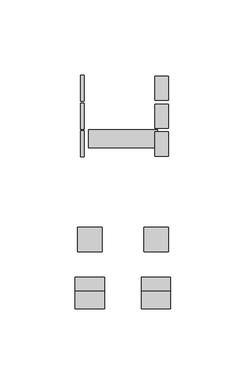
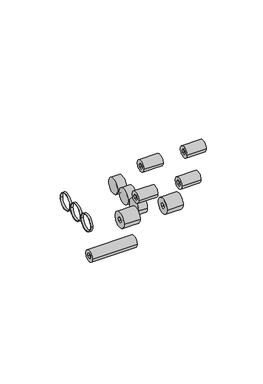
"""IFC4 building model written with IfcOpenShell, lengths in millimetres: proxy geometry."""

from ifc_helpers import new_model, si_unit, point, frame, frame_2d, origin, place, context, project, spatial, circle_curve, trimmed, segment, composite_curve, outline, extrude, source, transform, mapped, element, save
from ifc_brep_helpers import plane_surface, cylinder_surface, advanced_brep


def specialty_equipment_34035285(model_context):
    return source(origin(), model_context, "Body", "SolidModel", [
        advanced_brep(
        [(-909.1478505, 1120.0049574, 2285.6600288), (-909.1478505, 1104.0049574, 2285.6600288), (-909.1478505, 1109.2087193, 2284.9428256), (-909.1478505, 1109.9857202, 2287.7230399), (-909.1478505, 1112.7819588, 2288.440245), (-909.1478505, 1114.8011959, 2286.3772339), (-909.1478505, 1113.971621, 2283.5835332), (-909.1478505, 1111.227958, 2282.879813), (-925.5510798, 1120.0049574, 2285.6600288), (-925.5510798, 1104.0049574, 2285.6600288), (-925.5510798, 1109.9857202, 2287.7230399), (-925.5510798, 1109.2087193, 2284.9428256), (-925.5510798, 1111.227958, 2282.879813), (-925.5510798, 1113.971621, 2283.5835332), (-925.5510798, 1114.8011959, 2286.3772339), (-925.5510798, 1112.7819588, 2288.440245), (-923.4758952, 1109.9857202, 2287.7230399), (-923.4758952, 1112.7819588, 2288.440245), (-923.4758952, 1114.8011959, 2286.3772339), (-923.4758952, 1113.971621, 2283.5835332), (-923.4758952, 1111.227958, 2282.879813), (-923.4758952, 1109.2087193, 2284.9428256), (-911.2965565, 1109.9857202, 2287.7230399), (-911.2965565, 1109.2087193, 2284.9428256), (-911.2965565, 1111.227958, 2282.879813), (-911.2965565, 1113.971621, 2283.5835332), (-911.2965565, 1114.8011959, 2286.3772339), (-911.2965565, 1112.7819588, 2288.440245)],
        [
            (0, 1, circle_curve(frame((-909.1478505, 1112.0049574, 2285.6600288), z_axis=(1.0, 0.0, 0.0), x_axis=(0.0, -1.0, 0.0)), 8.0)),
            (1, 0, circle_curve(frame((-909.1478505, 1112.0049574, 2285.6600288), z_axis=(1.0, 0.0, 0.0), x_axis=(0.0, -1.0, 0.0)), 8.0)),
            (2, 3),
            (3, 4),
            (4, 5),
            (5, 6),
            (6, 7),
            (7, 2),
            (8, 9, circle_curve(frame((-925.5510798, 1112.0049574, 2285.6600288), z_axis=(-1.0, 0.0, 0.0), x_axis=(0.0, -1.0, 0.0)), 8.0)),
            (9, 8, circle_curve(frame((-925.5510798, 1112.0049574, 2285.6600288), z_axis=(-1.0, 0.0, 0.0), x_axis=(0.0, -1.0, 0.0)), 8.0)),
            (10, 11),
            (11, 12),
            (12, 13),
            (13, 14),
            (14, 15),
            (15, 10),
            (0, 8),
            (9, 1),
            (16, 17),
            (17, 18),
            (18, 19),
            (19, 20),
            (20, 21),
            (21, 16),
            (21, 11),
            (10, 16),
            (20, 12),
            (19, 13),
            (18, 14),
            (17, 15),
            (22, 23),
            (23, 24),
            (24, 25),
            (25, 26),
            (26, 27),
            (27, 22),
            (22, 3),
            (2, 23),
            (7, 24),
            (6, 25),
            (5, 26),
            (4, 27),
        ],
        [
            plane_surface(frame((-909.1478505, 1104.0049574, 2285.6600288), z_axis=(1.0, 0.0, 0.0), x_axis=(0.0, 0.0, -1.0))),
            plane_surface(frame((-925.5510798, 1104.0049574, 2285.6600288), z_axis=(-1.0, 0.0, 0.0), x_axis=(0.0, 0.0, 1.0))),
            cylinder_surface(frame((-925.5510798, 1112.0049574, 2285.6600288), z_axis=(1.0, 0.0, 0.0), x_axis=(0.0, -1.0, 0.0)), 8.0),
            plane_surface(frame((-923.4758952, 1109.9857202, 2287.7230399), z_axis=(-1.0, 0.0, 0.0), x_axis=(0.0, -0.26916119832752156, -0.9630951403235781))),
            plane_surface(frame((-923.4758952, 1109.9857202, 2287.7230399), z_axis=(0.0, 0.9630951403235781, -0.26916119832752156), x_axis=(-1.0, 0.0, 0.0))),
            plane_surface(frame((-923.4758952, 1109.2087193, 2284.9428256), z_axis=(0.0, 0.7146480056273415, 0.6994842586169208), x_axis=(-1.0, 0.0, 0.0))),
            plane_surface(frame((-923.4758952, 1111.227958, 2282.879813), z_axis=(0.0, -0.24844719034754661, 0.9686454426715743), x_axis=(-1.0, 0.0, 0.0))),
            plane_surface(frame((-923.4758952, 1113.971621, 2283.5835332), z_axis=(0.0, -0.9586286083068302, 0.28465978173200046), x_axis=(-1.0, 0.0, 0.0))),
            plane_surface(frame((-923.4758952, 1114.8011959, 2286.3772339), z_axis=(0.0, -0.7146480056274367, -0.6994842586168236), x_axis=(-1.0, 0.0, 0.0))),
            plane_surface(frame((-923.4758952, 1112.7819588, 2288.440245), z_axis=(0.0, 0.24844713469673074, -0.9686454569454113), x_axis=(-1.0, 0.0, 0.0))),
            plane_surface(frame((-911.2965565, 1109.9857202, 2287.7230399), z_axis=(1.0, 0.0, 0.0), x_axis=(0.0, 0.26916119832752156, 0.9630951403235781))),
            plane_surface(frame((-901.8139445, 1109.9857202, 2287.7230399), z_axis=(0.0, 0.9630951403235781, -0.26916119832752156), x_axis=(-1.0, 0.0, 0.0))),
            plane_surface(frame((-901.8139445, 1109.2087193, 2284.9428256), z_axis=(0.0, 0.7146480056273415, 0.6994842586169208), x_axis=(-1.0, 0.0, 0.0))),
            plane_surface(frame((-901.8139445, 1111.227958, 2282.879813), z_axis=(0.0, -0.24844719034754661, 0.9686454426715743), x_axis=(-1.0, 0.0, 0.0))),
            plane_surface(frame((-901.8139445, 1113.971621, 2283.5835332), z_axis=(0.0, -0.9586286083068302, 0.28465978173200046), x_axis=(-1.0, 0.0, 0.0))),
            plane_surface(frame((-901.8139445, 1114.8011959, 2286.3772339), z_axis=(0.0, -0.7146480056274367, -0.6994842586168236), x_axis=(-1.0, 0.0, 0.0))),
            plane_surface(frame((-901.8139445, 1112.7819588, 2288.440245), z_axis=(0.0, 0.24844713469673074, -0.9686454569454113), x_axis=(-1.0, 0.0, 0.0))),
        ],
        [
            (0, [[1, 2], [3, 4, 5, 6, 7, 8]]),
            (1, [[9, 10], [11, 12, 13, 14, 15, 16]]),
            (2, [[-1, 17, -10, 18]]),
            (2, [[-2, -18, -9, -17]]),
            (3, [[19, 20, 21, 22, 23, 24]]),
            (4, [[-24, 25, -11, 26]]),
            (5, [[-23, 27, -12, -25]]),
            (6, [[-22, 28, -13, -27]]),
            (7, [[-21, 29, -14, -28]]),
            (8, [[-20, 30, -15, -29]]),
            (9, [[-19, -26, -16, -30]]),
            (10, [[31, 32, 33, 34, 35, 36]]),
            (11, [[-31, 37, -3, 38]]),
            (12, [[-32, -38, -8, 39]]),
            (13, [[-33, -39, -7, 40]]),
            (14, [[-34, -40, -6, 41]]),
            (15, [[-35, -41, -5, 42]]),
            (16, [[-36, -42, -4, -37]]),
        ],
    ),
        advanced_brep(
        [(-865.1608835, 1120.0049574, 2285.6600288), (-865.1608835, 1104.0049574, 2285.6600288), (-865.1608835, 1109.2087193, 2284.9428256), (-865.1608835, 1109.9857202, 2287.7230399), (-865.1608835, 1112.7819588, 2288.440245), (-865.1608835, 1114.8011959, 2286.3772339), (-865.1608835, 1113.971621, 2283.5835332), (-865.1608835, 1111.227958, 2282.879813), (-881.5641128, 1120.0049574, 2285.6600288), (-881.5641128, 1104.0049574, 2285.6600288), (-881.5641128, 1109.9857202, 2287.7230399), (-881.5641128, 1109.2087193, 2284.9428256), (-881.5641128, 1111.227958, 2282.879813), (-881.5641128, 1113.971621, 2283.5835332), (-881.5641128, 1114.8011959, 2286.3772339), (-881.5641128, 1112.7819588, 2288.440245), (-867.3095895, 1109.9857202, 2287.7230399), (-867.3095895, 1109.2087193, 2284.9428256), (-867.3095895, 1111.227958, 2282.879813), (-867.3095895, 1113.971621, 2283.5835332), (-867.3095895, 1114.8011959, 2286.3772339), (-867.3095895, 1112.7819588, 2288.440245), (-879.4889281, 1109.9857202, 2287.7230399), (-879.4889281, 1112.7819588, 2288.440245), (-879.4889281, 1114.8011959, 2286.3772339), (-879.4889281, 1113.971621, 2283.5835332), (-879.4889281, 1111.227958, 2282.879813), (-879.4889281, 1109.2087193, 2284.9428256)],
        [
            (0, 1, circle_curve(frame((-865.1608835, 1112.0049574, 2285.6600288), z_axis=(1.0, 0.0, 0.0), x_axis=(0.0, -1.0, 0.0)), 8.0)),
            (1, 0, circle_curve(frame((-865.1608835, 1112.0049574, 2285.6600288), z_axis=(1.0, 0.0, 0.0), x_axis=(0.0, -1.0, 0.0)), 8.0)),
            (2, 3),
            (3, 4),
            (4, 5),
            (5, 6),
            (6, 7),
            (7, 2),
            (8, 9, circle_curve(frame((-881.5641128, 1112.0049574, 2285.6600288), z_axis=(-1.0, 0.0, 0.0), x_axis=(0.0, -1.0, 0.0)), 8.0)),
            (9, 8, circle_curve(frame((-881.5641128, 1112.0049574, 2285.6600288), z_axis=(-1.0, 0.0, 0.0), x_axis=(0.0, -1.0, 0.0)), 8.0)),
            (10, 11),
            (11, 12),
            (12, 13),
            (13, 14),
            (14, 15),
            (15, 10),
            (0, 8),
            (9, 1),
            (16, 17),
            (17, 18),
            (18, 19),
            (19, 20),
            (20, 21),
            (21, 16),
            (16, 3),
            (2, 17),
            (7, 18),
            (6, 19),
            (5, 20),
            (4, 21),
            (22, 23),
            (23, 24),
            (24, 25),
            (25, 26),
            (26, 27),
            (27, 22),
            (27, 11),
            (10, 22),
            (26, 12),
            (25, 13),
            (24, 14),
            (23, 15),
        ],
        [
            plane_surface(frame((-865.1608835, 1104.0049574, 2285.6600288), z_axis=(1.0, 0.0, 0.0), x_axis=(0.0, 0.0, -1.0))),
            plane_surface(frame((-881.5641128, 1104.0049574, 2285.6600288), z_axis=(-1.0, 0.0, 0.0), x_axis=(0.0, 0.0, 1.0))),
            cylinder_surface(frame((-881.5641128, 1112.0049574, 2285.6600288), z_axis=(1.0, 0.0, 0.0), x_axis=(0.0, -1.0, 0.0)), 8.0),
            plane_surface(frame((-867.3095895, 1109.9857202, 2287.7230399), z_axis=(1.0, 0.0, 0.0), x_axis=(0.0, 0.26916119832752156, 0.9630951403235781))),
            plane_surface(frame((-858.2589626, 1109.9857202, 2287.7230399), z_axis=(0.0, 0.9630951403235781, -0.26916119832752156), x_axis=(-1.0, 0.0, 0.0))),
            plane_surface(frame((-858.2589626, 1109.2087193, 2284.9428256), z_axis=(0.0, 0.7146480056273415, 0.6994842586169208), x_axis=(-1.0, 0.0, 0.0))),
            plane_surface(frame((-858.2589626, 1111.227958, 2282.879813), z_axis=(0.0, -0.24844719034754661, 0.9686454426715743), x_axis=(-1.0, 0.0, 0.0))),
            plane_surface(frame((-858.2589626, 1113.971621, 2283.5835332), z_axis=(0.0, -0.9586286083068302, 0.28465978173200046), x_axis=(-1.0, 0.0, 0.0))),
            plane_surface(frame((-858.2589626, 1114.8011959, 2286.3772339), z_axis=(0.0, -0.7146480056274367, -0.6994842586168236), x_axis=(-1.0, 0.0, 0.0))),
            plane_surface(frame((-858.2589626, 1112.7819588, 2288.440245), z_axis=(0.0, 0.24844713469673074, -0.9686454569454113), x_axis=(-1.0, 0.0, 0.0))),
            plane_surface(frame((-879.4889281, 1109.9857202, 2287.7230399), z_axis=(-1.0, 0.0, 0.0), x_axis=(0.0, -0.26916119832752156, -0.9630951403235781))),
            plane_surface(frame((-879.4889281, 1109.9857202, 2287.7230399), z_axis=(0.0, 0.9630951403235781, -0.26916119832752156), x_axis=(-1.0, 0.0, 0.0))),
            plane_surface(frame((-879.4889281, 1109.2087193, 2284.9428256), z_axis=(0.0, 0.7146480056273415, 0.6994842586169208), x_axis=(-1.0, 0.0, 0.0))),
            plane_surface(frame((-879.4889281, 1111.227958, 2282.879813), z_axis=(0.0, -0.24844719034754661, 0.9686454426715743), x_axis=(-1.0, 0.0, 0.0))),
            plane_surface(frame((-879.4889281, 1113.971621, 2283.5835332), z_axis=(0.0, -0.9586286083068302, 0.28465978173200046), x_axis=(-1.0, 0.0, 0.0))),
            plane_surface(frame((-879.4889281, 1114.8011959, 2286.3772339), z_axis=(0.0, -0.7146480056274367, -0.6994842586168236), x_axis=(-1.0, 0.0, 0.0))),
            plane_surface(frame((-879.4889281, 1112.7819588, 2288.440245), z_axis=(0.0, 0.24844713469673074, -0.9686454569454113), x_axis=(-1.0, 0.0, 0.0))),
        ],
        [
            (0, [[1, 2], [3, 4, 5, 6, 7, 8]]),
            (1, [[9, 10], [11, 12, 13, 14, 15, 16]]),
            (2, [[-1, 17, -10, 18]]),
            (2, [[-2, -18, -9, -17]]),
            (3, [[19, 20, 21, 22, 23, 24]]),
            (4, [[-19, 25, -3, 26]]),
            (5, [[-20, -26, -8, 27]]),
            (6, [[-21, -27, -7, 28]]),
            (7, [[-22, -28, -6, 29]]),
            (8, [[-23, -29, -5, 30]]),
            (9, [[-24, -30, -4, -25]]),
            (10, [[31, 32, 33, 34, 35, 36]]),
            (11, [[-36, 37, -11, 38]]),
            (12, [[-35, 39, -12, -37]]),
            (13, [[-34, 40, -13, -39]]),
            (14, [[-33, 41, -14, -40]]),
            (15, [[-32, 42, -15, -41]]),
            (16, [[-31, -38, -16, -42]]),
        ],
    ),
        advanced_brep(
        [(-872.4476526, 1184.7754533, 2203.5757744), (-872.4476526, 1173.086142, 2203.5757744), (-872.4476526, 1178.7841062, 2206.4587963), (-872.4476526, 1181.3549989, 2205.1290436), (-872.4476526, 1181.5009116, 2202.2613008), (-872.4476526, 1179.0774865, 2200.6927525), (-872.4476526, 1176.5073726, 2202.007226), (-872.4476526, 1176.3606827, 2204.8902437), (-918.1284849, 1184.7754533, 2203.5757744), (-918.1284849, 1173.086142, 2203.5757744), (-918.1284849, 1181.3549989, 2205.1290436), (-918.1284849, 1178.7841062, 2206.4587963), (-918.1284849, 1176.3606827, 2204.8902437), (-918.1284849, 1176.5073726, 2202.007226), (-918.1284849, 1179.0774865, 2200.6927525), (-918.1284849, 1181.5009116, 2202.2613008), (-874.1722902, 1181.3549989, 2205.1290436), (-874.1722902, 1178.7841062, 2206.4587963), (-874.1722902, 1176.3606827, 2204.8902437), (-874.1722902, 1176.5073726, 2202.007226), (-874.1722902, 1179.0774865, 2200.6927525), (-874.1722902, 1181.5009116, 2202.2613008), (-916.2189265, 1181.3549989, 2205.1290436), (-916.2189265, 1181.5009116, 2202.2613008), (-916.2189265, 1179.0774865, 2200.6927525), (-916.2189265, 1176.5073726, 2202.007226), (-916.2189265, 1176.3606827, 2204.8902437), (-916.2189265, 1178.7841062, 2206.4587963)],
        [
            (0, 1, circle_curve(frame((-872.4476526, 1178.9307976, 2203.5757744), z_axis=(1.0, 0.0, 0.0), x_axis=(0.0, -1.0, 0.0)), 5.8446557)),
            (1, 0, circle_curve(frame((-872.4476526, 1178.9307976, 2203.5757744), z_axis=(1.0, 0.0, 0.0), x_axis=(0.0, -1.0, 0.0)), 5.8446557)),
            (2, 3),
            (3, 4),
            (4, 5),
            (5, 6),
            (6, 7),
            (7, 2),
            (8, 9, circle_curve(frame((-918.1284849, 1178.9307976, 2203.5757744), z_axis=(-1.0, 0.0, 0.0), x_axis=(0.0, -1.0, 0.0)), 5.8446557)),
            (9, 8, circle_curve(frame((-918.1284849, 1178.9307976, 2203.5757744), z_axis=(-1.0, 0.0, 0.0), x_axis=(0.0, -1.0, 0.0)), 5.8446557)),
            (10, 11),
            (11, 12),
            (12, 13),
            (13, 14),
            (14, 15),
            (15, 10),
            (0, 8),
            (9, 1),
            (16, 17),
            (17, 18),
            (18, 19),
            (19, 20),
            (20, 21),
            (21, 16),
            (16, 3),
            (2, 17),
            (7, 18),
            (6, 19),
            (5, 20),
            (4, 21),
            (22, 23),
            (23, 24),
            (24, 25),
            (25, 26),
            (26, 27),
            (27, 22),
            (27, 11),
            (10, 22),
            (26, 12),
            (25, 13),
            (24, 14),
            (23, 15),
        ],
        [
            plane_surface(frame((-872.4476526, 1173.086142, 2203.5757744), z_axis=(1.0, 0.0, 0.0), x_axis=(0.0, 0.0, -1.0))),
            plane_surface(frame((-918.1284849, 1173.086142, 2203.5757744), z_axis=(-1.0, 0.0, 0.0), x_axis=(0.0, 0.0, 1.0))),
            cylinder_surface(frame((-918.1284849, 1178.9307976, 2203.5757744), z_axis=(1.0, 0.0, 0.0), x_axis=(0.0, -1.0, 0.0)), 5.8446557),
            plane_surface(frame((-874.1722902, 1178.7841062, 2206.4587963), z_axis=(1.0, 0.0, 0.0), x_axis=(0.0, 0.8882203841479396, -0.45941761958384514))),
            plane_surface(frame((-857.5930278, 1181.3549989, 2205.1290436), z_axis=(0.0, -0.45941761958384514, -0.8882203841479396), x_axis=(-1.0, 0.0, 0.0))),
            plane_surface(frame((-857.5930278, 1178.7841062, 2206.4587963), z_axis=(0.0, 0.5433623784018712, -0.8394982583290224), x_axis=(-1.0, 0.0, 0.0))),
            plane_surface(frame((-857.5930278, 1176.3606827, 2204.8902437), z_axis=(0.0, 0.9987080851227993, 0.050814965417203255), x_axis=(-1.0, 0.0, 0.0))),
            plane_surface(frame((-857.5930278, 1176.5073726, 2202.007226), z_axis=(0.0, 0.45534719132492035, 0.8903139532504848), x_axis=(-1.0, 0.0, 0.0))),
            plane_surface(frame((-857.5930278, 1179.0774865, 2200.6927525), z_axis=(0.0, -0.5433610954812863, 0.8394990886935951), x_axis=(-1.0, 0.0, 0.0))),
            plane_surface(frame((-857.5930278, 1181.5009116, 2202.2613008), z_axis=(0.0, -0.9987080850898942, -0.05081496606391388), x_axis=(-1.0, 0.0, 0.0))),
            plane_surface(frame((-916.2189265, 1178.7841062, 2206.4587963), z_axis=(-1.0, 0.0, 0.0), x_axis=(0.0, -0.8882203841479396, 0.45941761958384514))),
            plane_surface(frame((-916.2189265, 1181.3549989, 2205.1290436), z_axis=(0.0, -0.45941761958384514, -0.8882203841479396), x_axis=(-1.0, 0.0, 0.0))),
            plane_surface(frame((-916.2189265, 1178.7841062, 2206.4587963), z_axis=(0.0, 0.5433623784018712, -0.8394982583290224), x_axis=(-1.0, 0.0, 0.0))),
            plane_surface(frame((-916.2189265, 1176.3606827, 2204.8902437), z_axis=(0.0, 0.9987080851227993, 0.050814965417203255), x_axis=(-1.0, 0.0, 0.0))),
            plane_surface(frame((-916.2189265, 1176.5073726, 2202.007226), z_axis=(0.0, 0.45534719132492035, 0.8903139532504848), x_axis=(-1.0, 0.0, 0.0))),
            plane_surface(frame((-916.2189265, 1179.0774865, 2200.6927525), z_axis=(0.0, -0.5433610954812863, 0.8394990886935951), x_axis=(-1.0, 0.0, 0.0))),
            plane_surface(frame((-916.2189265, 1181.5009116, 2202.2613008), z_axis=(0.0, -0.9987080850898942, -0.05081496606391388), x_axis=(-1.0, 0.0, 0.0))),
        ],
        [
            (0, [[1, 2], [3, 4, 5, 6, 7, 8]]),
            (1, [[9, 10], [11, 12, 13, 14, 15, 16]]),
            (2, [[-1, 17, -10, 18]]),
            (2, [[-2, -18, -9, -17]]),
            (3, [[19, 20, 21, 22, 23, 24]]),
            (4, [[-19, 25, -3, 26]]),
            (5, [[-20, -26, -8, 27]]),
            (6, [[-21, -27, -7, 28]]),
            (7, [[-22, -28, -6, 29]]),
            (8, [[-23, -29, -5, 30]]),
            (9, [[-24, -30, -4, -25]]),
            (10, [[31, 32, 33, 34, 35, 36]]),
            (11, [[-36, 37, -11, 38]]),
            (12, [[-35, 39, -12, -37]]),
            (13, [[-34, 40, -13, -39]]),
            (14, [[-33, 41, -14, -40]]),
            (15, [[-32, 42, -15, -41]]),
            (16, [[-31, -38, -16, -42]]),
        ],
    ),
        advanced_brep(
        [(-907.6630958, 1077.7573289, 2368.7338538), (-907.6630958, 1066.0680176, 2368.7338538), (-907.6630958, 1069.0490953, 2368.368803), (-907.6630958, 1070.1647402, 2371.0312585), (-907.6630958, 1073.0283159, 2371.3963092), (-907.6630958, 1074.7762486, 2369.0989046), (-907.6630958, 1073.6606034, 2366.4364491), (-907.6630958, 1070.7970267, 2366.0713983), (-927.2037544, 1077.7573289, 2368.7338538), (-927.2037544, 1066.0680176, 2368.7338538), (-927.2037544, 1070.1647402, 2371.0312585), (-927.2037544, 1069.0490953, 2368.368803), (-927.2037544, 1070.7970267, 2366.0713983), (-927.2037544, 1073.6606034, 2366.4364491), (-927.2037544, 1074.7762486, 2369.0989046), (-927.2037544, 1073.0283159, 2371.3963092), (-909.1478505, 1070.1647402, 2371.0312585), (-909.1478505, 1069.0490953, 2368.368803), (-909.1478505, 1070.7970267, 2366.0713983), (-909.1478505, 1073.6606034, 2366.4364491), (-909.1478505, 1074.7762486, 2369.0989046), (-909.1478505, 1073.0283159, 2371.3963092), (-925.5510798, 1070.1647402, 2371.0312585), (-925.5510798, 1073.0283159, 2371.3963092), (-925.5510798, 1074.7762486, 2369.0989046), (-925.5510798, 1073.6606034, 2366.4364491), (-925.5510798, 1070.7970267, 2366.0713983), (-925.5510798, 1069.0490953, 2368.368803)],
        [
            (0, 1, circle_curve(frame((-907.6630958, 1071.9126733, 2368.7338538), z_axis=(1.0, 0.0, 0.0), x_axis=(0.0, -1.0, 0.0)), 5.8446557)),
            (1, 0, circle_curve(frame((-907.6630958, 1071.9126733, 2368.7338538), z_axis=(1.0, 0.0, 0.0), x_axis=(0.0, -1.0, 0.0)), 5.8446557)),
            (2, 3),
            (3, 4),
            (4, 5),
            (5, 6),
            (6, 7),
            (7, 2),
            (8, 9, circle_curve(frame((-927.2037544, 1071.9126733, 2368.7338538), z_axis=(-1.0, 0.0, 0.0), x_axis=(0.0, -1.0, 0.0)), 5.8446557)),
            (9, 8, circle_curve(frame((-927.2037544, 1071.9126733, 2368.7338538), z_axis=(-1.0, 0.0, 0.0), x_axis=(0.0, -1.0, 0.0)), 5.8446557)),
            (10, 11),
            (11, 12),
            (12, 13),
            (13, 14),
            (14, 15),
            (15, 10),
            (0, 8),
            (9, 1),
            (16, 17),
            (17, 18),
            (18, 19),
            (19, 20),
            (20, 21),
            (21, 16),
            (16, 3),
            (2, 17),
            (7, 18),
            (6, 19),
            (5, 20),
            (4, 21),
            (22, 23),
            (23, 24),
            (24, 25),
            (25, 26),
            (26, 27),
            (27, 22),
            (27, 11),
            (10, 22),
            (26, 12),
            (25, 13),
            (24, 14),
            (23, 15),
        ],
        [
            plane_surface(frame((-907.6630958, 1066.0680176, 2368.7338538), z_axis=(1.0, 0.0, 0.0), x_axis=(0.0, 0.0, -1.0))),
            plane_surface(frame((-927.2037544, 1066.0680176, 2368.7338538), z_axis=(-1.0, 0.0, 0.0), x_axis=(0.0, 0.0, 1.0))),
            cylinder_surface(frame((-927.2037544, 1071.9126733, 2368.7338538), z_axis=(1.0, 0.0, 0.0), x_axis=(0.0, -1.0, 0.0)), 5.8446557),
            plane_surface(frame((-909.1478505, 1070.1647402, 2371.0312585), z_axis=(1.0, 0.0, 0.0), x_axis=(0.0, 0.38647073058381537, 0.9223016721236127))),
            plane_surface(frame((-901.7422011, 1070.1647402, 2371.0312585), z_axis=(0.0, 0.9223016721236127, -0.38647073058381537), x_axis=(-1.0, 0.0, 0.0))),
            plane_surface(frame((-901.7422011, 1069.0490953, 2368.368803), z_axis=(0.0, 0.7958443731968338, 0.6055012251440445), x_axis=(-1.0, 0.0, 0.0))),
            plane_surface(frame((-901.7422011, 1070.7970267, 2366.0713983), z_axis=(0.0, -0.12645730660184673, 0.9919720508194808), x_axis=(-1.0, 0.0, 0.0))),
            plane_surface(frame((-901.7422011, 1073.6606034, 2366.4364491), z_axis=(0.0, -0.9223016266744618, 0.3864708390469345), x_axis=(-1.0, 0.0, 0.0))),
            plane_surface(frame((-901.7422011, 1074.7762486, 2369.0989046), z_axis=(0.0, -0.7958441452566694, -0.6055015247385274), x_axis=(-1.0, 0.0, 0.0))),
            plane_surface(frame((-901.7422011, 1073.0283159, 2371.3963092), z_axis=(0.0, 0.12645730660137405, -0.9919720508195411), x_axis=(-1.0, 0.0, 0.0))),
            plane_surface(frame((-925.5510798, 1070.1647402, 2371.0312585), z_axis=(-1.0, 0.0, 0.0), x_axis=(0.0, -0.38647073058381537, -0.9223016721236127))),
            plane_surface(frame((-925.5510798, 1070.1647402, 2371.0312585), z_axis=(0.0, 0.9223016721236127, -0.38647073058381537), x_axis=(-1.0, 0.0, 0.0))),
            plane_surface(frame((-925.5510798, 1069.0490953, 2368.368803), z_axis=(0.0, 0.7958443731968338, 0.6055012251440445), x_axis=(-1.0, 0.0, 0.0))),
            plane_surface(frame((-925.5510798, 1070.7970267, 2366.0713983), z_axis=(0.0, -0.12645730660184673, 0.9919720508194808), x_axis=(-1.0, 0.0, 0.0))),
            plane_surface(frame((-925.5510798, 1073.6606034, 2366.4364491), z_axis=(0.0, -0.9223016266744618, 0.3864708390469345), x_axis=(-1.0, 0.0, 0.0))),
            plane_surface(frame((-925.5510798, 1074.7762486, 2369.0989046), z_axis=(0.0, -0.7958441452566694, -0.6055015247385274), x_axis=(-1.0, 0.0, 0.0))),
            plane_surface(frame((-925.5510798, 1073.0283159, 2371.3963092), z_axis=(0.0, 0.12645730660137405, -0.9919720508195411), x_axis=(-1.0, 0.0, 0.0))),
        ],
        [
            (0, [[1, 2], [3, 4, 5, 6, 7, 8]]),
            (1, [[9, 10], [11, 12, 13, 14, 15, 16]]),
            (2, [[-1, 17, -10, 18]]),
            (2, [[-2, -18, -9, -17]]),
            (3, [[19, 20, 21, 22, 23, 24]]),
            (4, [[-19, 25, -3, 26]]),
            (5, [[-20, -26, -8, 27]]),
            (6, [[-21, -27, -7, 28]]),
            (7, [[-22, -28, -6, 29]]),
            (8, [[-23, -29, -5, 30]]),
            (9, [[-24, -30, -4, -25]]),
            (10, [[31, 32, 33, 34, 35, 36]]),
            (11, [[-36, 37, -11, 38]]),
            (12, [[-35, 39, -12, -37]]),
            (13, [[-34, 40, -13, -39]]),
            (14, [[-33, 41, -14, -40]]),
            (15, [[-32, 42, -15, -41]]),
            (16, [[-31, -38, -16, -42]]),
        ],
    ),
        advanced_brep(
        [(-907.6630958, 1086.7730153, 2329.6230505), (-907.6630958, 1075.0837039, 2329.6230505), (-907.6630958, 1079.1544957, 2331.900492), (-907.6630958, 1082.0137485, 2332.2979825), (-907.6630958, 1083.7876125, 2330.020541), (-907.6630958, 1082.7022223, 2327.345609), (-907.6630958, 1079.8429681, 2326.9481184), (-907.6630958, 1078.0691055, 2329.2255599), (-927.2037544, 1086.7730153, 2329.6230505), (-927.2037544, 1075.0837039, 2329.6230505), (-927.2037544, 1082.0137485, 2332.2979825), (-927.2037544, 1079.1544957, 2331.900492), (-927.2037544, 1078.0691055, 2329.2255599), (-927.2037544, 1079.8429681, 2326.9481184), (-927.2037544, 1082.7022223, 2327.345609), (-927.2037544, 1083.7876125, 2330.020541), (-909.1478505, 1082.0137485, 2332.2979825), (-909.1478505, 1079.1544957, 2331.900492), (-909.1478505, 1078.0691055, 2329.2255599), (-909.1478505, 1079.8429681, 2326.9481184), (-909.1478505, 1082.7022223, 2327.345609), (-909.1478505, 1083.7876125, 2330.020541), (-925.5510798, 1082.0137485, 2332.2979825), (-925.5510798, 1083.7876125, 2330.020541), (-925.5510798, 1082.7022223, 2327.345609), (-925.5510798, 1079.8429681, 2326.9481184), (-925.5510798, 1078.0691055, 2329.2255599), (-925.5510798, 1079.1544957, 2331.900492)],
        [
            (0, 1, circle_curve(frame((-907.6630958, 1080.9283596, 2329.6230505), z_axis=(1.0, 0.0, 0.0), x_axis=(0.0, -1.0, 0.0)), 5.8446557)),
            (1, 0, circle_curve(frame((-907.6630958, 1080.9283596, 2329.6230505), z_axis=(1.0, 0.0, 0.0), x_axis=(0.0, -1.0, 0.0)), 5.8446557)),
            (2, 3),
            (3, 4),
            (4, 5),
            (5, 6),
            (6, 7),
            (7, 2),
            (8, 9, circle_curve(frame((-927.2037544, 1080.9283596, 2329.6230505), z_axis=(-1.0, 0.0, 0.0), x_axis=(0.0, -1.0, 0.0)), 5.8446557)),
            (9, 8, circle_curve(frame((-927.2037544, 1080.9283596, 2329.6230505), z_axis=(-1.0, 0.0, 0.0), x_axis=(0.0, -1.0, 0.0)), 5.8446557)),
            (10, 11),
            (11, 12),
            (12, 13),
            (13, 14),
            (14, 15),
            (15, 10),
            (0, 8),
            (9, 1),
            (16, 17),
            (17, 18),
            (18, 19),
            (19, 20),
            (20, 21),
            (21, 16),
            (16, 3),
            (2, 17),
            (7, 18),
            (6, 19),
            (5, 20),
            (4, 21),
            (22, 23),
            (23, 24),
            (24, 25),
            (25, 26),
            (26, 27),
            (27, 22),
            (27, 11),
            (10, 22),
            (26, 12),
            (25, 13),
            (24, 14),
            (23, 15),
        ],
        [
            plane_surface(frame((-907.6630958, 1066.0680176, 2368.7338538), z_axis=(1.0, 0.0, 0.0), x_axis=(0.0, 0.0, -1.0))),
            plane_surface(frame((-927.2037544, 1066.0680176, 2368.7338538), z_axis=(-1.0, 0.0, 0.0), x_axis=(0.0, 0.0, 1.0))),
            cylinder_surface(frame((-2979.9086252, 1080.9283596, 2329.6230505), z_axis=(1.0, 0.0, 0.0), x_axis=(0.0, -1.0, 0.0)), 5.8446557),
            plane_surface(frame((-909.1478505, 1070.1647402, 2371.0312585), z_axis=(1.0, 0.0, 0.0), x_axis=(0.0, 0.38647073058381537, 0.9223016721236127))),
            plane_surface(frame((-901.7422011, 1082.0137485, 2332.2979825), z_axis=(0.0, 0.13769483439562244, -0.9904747006263017), x_axis=(-1.0, 0.0, 0.0))),
            plane_surface(frame((-901.7422011, 1079.1544957, 2331.900492), z_axis=(0.0, 0.9266236435334714, -0.3759901903570812), x_axis=(-1.0, 0.0, 0.0))),
            plane_surface(frame((-901.7422011, 1078.0691055, 2329.2255599), z_axis=(0.0, 0.7889291170033963, 0.6144842132587636), x_axis=(-1.0, 0.0, 0.0))),
            plane_surface(frame((-901.7422011, 1079.8429681, 2326.9481184), z_axis=(0.0, -0.1376947659339683, 0.9904747101437724), x_axis=(-1.0, 0.0, 0.0))),
            plane_surface(frame((-901.7422011, 1082.7022223, 2327.345609), z_axis=(0.0, -0.9266236435332336, 0.3759901903576673), x_axis=(-1.0, 0.0, 0.0))),
            plane_surface(frame((-901.7422011, 1083.7876125, 2330.020541), z_axis=(0.0, -0.7889288807086753, -0.6144845166346805), x_axis=(-1.0, 0.0, 0.0))),
            plane_surface(frame((-925.5510798, 1070.1647402, 2371.0312585), z_axis=(-1.0, 0.0, 0.0), x_axis=(0.0, -0.38647073058381537, -0.9223016721236127))),
            plane_surface(frame((-925.5510798, 1082.0137485, 2332.2979825), z_axis=(0.0, 0.13769483439562244, -0.9904747006263017), x_axis=(-1.0, 0.0, 0.0))),
            plane_surface(frame((-925.5510798, 1079.1544957, 2331.900492), z_axis=(0.0, 0.9266236435334714, -0.3759901903570812), x_axis=(-1.0, 0.0, 0.0))),
            plane_surface(frame((-925.5510798, 1078.0691055, 2329.2255599), z_axis=(0.0, 0.7889291170033963, 0.6144842132587636), x_axis=(-1.0, 0.0, 0.0))),
            plane_surface(frame((-925.5510798, 1079.8429681, 2326.9481184), z_axis=(0.0, -0.1376947659339683, 0.9904747101437724), x_axis=(-1.0, 0.0, 0.0))),
            plane_surface(frame((-925.5510798, 1082.7022223, 2327.345609), z_axis=(0.0, -0.9266236435332336, 0.3759901903576673), x_axis=(-1.0, 0.0, 0.0))),
            plane_surface(frame((-925.5510798, 1083.7876125, 2330.020541), z_axis=(0.0, -0.7889288807086753, -0.6144845166346805), x_axis=(-1.0, 0.0, 0.0))),
        ],
        [
            (0, [[1, 2], [3, 4, 5, 6, 7, 8]]),
            (1, [[9, 10], [11, 12, 13, 14, 15, 16]]),
            (2, [[-1, 17, -10, 18]]),
            (2, [[-2, -18, -9, -17]]),
            (3, [[19, 20, 21, 22, 23, 24]]),
            (4, [[-19, 25, -3, 26]]),
            (5, [[-20, -26, -8, 27]]),
            (6, [[-21, -27, -7, 28]]),
            (7, [[-22, -28, -6, 29]]),
            (8, [[-23, -29, -5, 30]]),
            (9, [[-24, -30, -4, -25]]),
            (10, [[31, 32, 33, 34, 35, 36]]),
            (11, [[-36, 37, -11, 38]]),
            (12, [[-35, 39, -12, -37]]),
            (13, [[-34, 40, -13, -39]]),
            (14, [[-33, 41, -14, -40]]),
            (15, [[-32, 42, -15, -41]]),
            (16, [[-31, -38, -16, -42]]),
        ],
    ),
        advanced_brep(
        [(-865.1608835, 1183.4570308, 2243.6951894), (-865.1608835, 1167.4570307, 2243.6951894), (-865.1608835, 1173.565847, 2245.8384946), (-865.1608835, 1176.3620855, 2246.5556997), (-865.1608835, 1178.2366058, 2244.6405428), (-865.1608835, 1177.347576, 2241.6466201), (-865.1608835, 1174.8080847, 2240.9952677), (-865.1608835, 1172.788846, 2243.0582803), (-874.1722902, 1183.4570308, 2243.6951894), (-874.1722902, 1167.4570307, 2243.6951894), (-867.3095895, 1176.3620855, 2246.5556997), (-867.3095895, 1173.565847, 2245.8384946), (-867.3095895, 1172.788846, 2243.0582803), (-867.3095895, 1174.8080847, 2240.9952677), (-867.3095895, 1177.347576, 2241.6466201), (-867.3095895, 1178.2366058, 2244.6405428)],
        [
            (0, 1, circle_curve(frame((-865.1608835, 1175.4570308, 2243.6951894), z_axis=(1.0, 0.0, 0.0), x_axis=(0.0, -1.0, 0.0)), 8.0)),
            (1, 0, circle_curve(frame((-865.1608835, 1175.4570308, 2243.6951894), z_axis=(1.0, 0.0, 0.0), x_axis=(0.0, -1.0, 0.0)), 8.0)),
            (2, 3),
            (3, 4),
            (4, 5),
            (5, 6),
            (6, 7),
            (7, 2),
            (8, 9, circle_curve(frame((-874.1722902, 1175.4570308, 2243.6951894), z_axis=(-1.0, 0.0, 0.0), x_axis=(0.0, -1.0, 0.0)), 8.0)),
            (9, 8, circle_curve(frame((-874.1722902, 1175.4570308, 2243.6951894), z_axis=(-1.0, 0.0, 0.0), x_axis=(0.0, -1.0, 0.0)), 8.0)),
            (0, 8),
            (9, 1),
            (10, 11),
            (11, 12),
            (12, 13),
            (13, 14),
            (14, 15),
            (15, 10),
            (10, 3),
            (2, 11),
            (7, 12),
            (6, 13),
            (5, 14),
            (4, 15),
        ],
        [
            plane_surface(frame((-865.1608835, 1167.4570307, 2243.6951894), z_axis=(1.0, 0.0, 0.0), x_axis=(0.0, 0.0, -1.0))),
            plane_surface(frame((-874.1722902, 1167.4570307, 2243.6951894), z_axis=(-1.0, 0.0, 0.0), x_axis=(0.0, 0.0, 1.0))),
            cylinder_surface(frame((-874.1722902, 1175.4570308, 2243.6951894), z_axis=(1.0, 0.0, 0.0), x_axis=(0.0, -1.0, 0.0)), 8.0),
            plane_surface(frame((-867.3095895, 1176.3620855, 2246.5556997), z_axis=(1.0, 0.0, 0.0), x_axis=(0.0, 0.9686454569454113, 0.24844713469673074))),
            plane_surface(frame((-861.4800867, 1176.3620855, 2246.5556997), z_axis=(0.0, 0.24844713469673074, -0.9686454569454113), x_axis=(-1.0, 0.0, 0.0))),
            plane_surface(frame((-861.4800867, 1173.565847, 2245.8384946), z_axis=(0.0, 0.9630951403235781, -0.26916119832752156), x_axis=(-1.0, 0.0, 0.0))),
            plane_surface(frame((-861.4800867, 1172.788846, 2243.0582803), z_axis=(0.0, 0.7146480056273415, 0.6994842586169208), x_axis=(-1.0, 0.0, 0.0))),
            plane_surface(frame((-861.4800867, 1174.8080847, 2240.9952677), z_axis=(0.0, -0.2484471903475855, 0.9686454426715643), x_axis=(-1.0, 0.0, 0.0))),
            plane_surface(frame((-861.4800867, 1177.347576, 2241.6466201), z_axis=(0.0, -0.9586286083068241, 0.2846597817320209), x_axis=(-1.0, 0.0, 0.0))),
            plane_surface(frame((-861.4800867, 1178.2366058, 2244.6405428), z_axis=(0.0, -0.7146480056274322, -0.6994842586168281), x_axis=(-1.0, 0.0, 0.0))),
        ],
        [
            (0, [[1, 2], [3, 4, 5, 6, 7, 8]]),
            (1, [[9, 10]]),
            (2, [[-1, 11, -10, 12]]),
            (2, [[-2, -12, -9, -11]]),
            (3, [[13, 14, 15, 16, 17, 18]]),
            (4, [[-13, 19, -3, 20]]),
            (5, [[-14, -20, -8, 21]]),
            (6, [[-15, -21, -7, 22]]),
            (7, [[-16, -22, -6, 23]]),
            (8, [[-17, -23, -5, 24]]),
            (9, [[-18, -24, -4, -19]]),
        ],
    ),
        advanced_brep(
        [(-865.1608835, 1201.9243828, 2243.5781776), (-865.1608835, 1185.9243828, 2243.5781776), (-865.1608835, 1191.9987461, 2245.8384946), (-865.1608835, 1194.7949847, 2246.5556997), (-865.1608835, 1196.8142218, 2244.4926887), (-865.1608835, 1195.9846469, 2241.6989879), (-865.1608835, 1193.2409838, 2240.9952677), (-865.1608835, 1191.2217452, 2243.0582803), (-874.1722902, 1201.9243828, 2243.5781776), (-874.1722902, 1185.9243828, 2243.5781776), (-867.3095895, 1194.7949847, 2246.5556997), (-867.3095895, 1191.9987461, 2245.8384946), (-867.3095895, 1191.2217452, 2243.0582803), (-867.3095895, 1193.2409838, 2240.9952677), (-867.3095895, 1195.9846469, 2241.6989879), (-867.3095895, 1196.8142218, 2244.4926887)],
        [
            (0, 1, circle_curve(frame((-865.1608835, 1193.9243828, 2243.5781776), z_axis=(1.0, 0.0, 0.0), x_axis=(0.0, -1.0, 0.0)), 8.0)),
            (1, 0, circle_curve(frame((-865.1608835, 1193.9243828, 2243.5781776), z_axis=(1.0, 0.0, 0.0), x_axis=(0.0, -1.0, 0.0)), 8.0)),
            (2, 3),
            (3, 4),
            (4, 5),
            (5, 6),
            (6, 7),
            (7, 2),
            (8, 9, circle_curve(frame((-874.1722902, 1193.9243828, 2243.5781776), z_axis=(-1.0, 0.0, 0.0), x_axis=(0.0, -1.0, 0.0)), 8.0)),
            (9, 8, circle_curve(frame((-874.1722902, 1193.9243828, 2243.5781776), z_axis=(-1.0, 0.0, 0.0), x_axis=(0.0, -1.0, 0.0)), 8.0)),
            (0, 8),
            (9, 1),
            (10, 11),
            (11, 12),
            (12, 13),
            (13, 14),
            (14, 15),
            (15, 10),
            (10, 3),
            (2, 11),
            (7, 12),
            (6, 13),
            (5, 14),
            (4, 15),
        ],
        [
            plane_surface(frame((-865.1608835, 1167.4570307, 2243.6951894), z_axis=(1.0, 0.0, 0.0), x_axis=(0.0, 0.0, -1.0))),
            plane_surface(frame((-874.1722902, 1167.4570307, 2243.6951894), z_axis=(-1.0, 0.0, 0.0), x_axis=(0.0, 0.0, 1.0))),
            cylinder_surface(frame((-2935.9216582, 1193.9243828, 2243.5781776), z_axis=(1.0, 0.0, 0.0), x_axis=(0.0, -1.0, 0.0)), 8.0),
            plane_surface(frame((-867.3095895, 1176.3620855, 2246.5556997), z_axis=(1.0, 0.0, 0.0), x_axis=(0.0, 0.9686454569454113, 0.24844713469673074))),
            plane_surface(frame((-861.4800867, 1194.7949847, 2246.5556997), z_axis=(0.0, 0.24844713469673074, -0.9686454569454113), x_axis=(-1.0, 0.0, 0.0))),
            plane_surface(frame((-861.4800867, 1191.9987461, 2245.8384946), z_axis=(0.0, 0.9630951403235781, -0.26916119832752156), x_axis=(-1.0, 0.0, 0.0))),
            plane_surface(frame((-861.4800867, 1191.2217452, 2243.0582803), z_axis=(0.0, 0.7146480056273415, 0.6994842586169208), x_axis=(-1.0, 0.0, 0.0))),
            plane_surface(frame((-861.4800867, 1193.2409838, 2240.9952677), z_axis=(0.0, -0.24844719034754661, 0.9686454426715743), x_axis=(-1.0, 0.0, 0.0))),
            plane_surface(frame((-861.4800867, 1195.9846469, 2241.6989879), z_axis=(0.0, -0.9586286083068302, 0.28465978173200046), x_axis=(-1.0, 0.0, 0.0))),
            plane_surface(frame((-861.4800867, 1196.8142218, 2244.4926887), z_axis=(0.0, -0.7146480056274367, -0.6994842586168236), x_axis=(-1.0, 0.0, 0.0))),
        ],
        [
            (0, [[1, 2], [3, 4, 5, 6, 7, 8]]),
            (1, [[9, 10]]),
            (2, [[-1, 11, -10, 12]]),
            (2, [[-2, -12, -9, -11]]),
            (3, [[13, 14, 15, 16, 17, 18]]),
            (4, [[-13, 19, -3, 20]]),
            (5, [[-14, -20, -8, 21]]),
            (6, [[-15, -21, -7, 22]]),
            (7, [[-16, -22, -6, 23]]),
            (8, [[-17, -23, -5, 24]]),
            (9, [[-18, -24, -4, -19]]),
        ],
    ),
        advanced_brep(
        [(-865.1608835, 1220.3917369, 2243.5827149), (-865.1608835, 1204.3917369, 2243.5827149), (-865.1608835, 1210.4675321, 2245.8384946), (-865.1608835, 1213.2637707, 2246.5556997), (-865.1608835, 1215.2830078, 2244.4926887), (-865.1608835, 1214.4534329, 2241.6989879), (-865.1608835, 1211.7097698, 2240.9952677), (-865.1608835, 1209.6905312, 2243.0582803), (-874.1722902, 1220.3917369, 2243.5827149), (-874.1722902, 1204.3917369, 2243.5827149), (-867.3095895, 1213.2637707, 2246.5556997), (-867.3095895, 1210.4675321, 2245.8384946), (-867.3095895, 1209.6905312, 2243.0582803), (-867.3095895, 1211.7097698, 2240.9952677), (-867.3095895, 1214.4534329, 2241.6989879), (-867.3095895, 1215.2830078, 2244.4926887)],
        [
            (0, 1, circle_curve(frame((-865.1608835, 1212.3917369, 2243.5827149), z_axis=(1.0, 0.0, 0.0), x_axis=(0.0, -1.0, 0.0)), 8.0)),
            (1, 0, circle_curve(frame((-865.1608835, 1212.3917369, 2243.5827149), z_axis=(1.0, 0.0, 0.0), x_axis=(0.0, -1.0, 0.0)), 8.0)),
            (2, 3),
            (3, 4),
            (4, 5),
            (5, 6),
            (6, 7),
            (7, 2),
            (8, 9, circle_curve(frame((-874.1722902, 1212.3917369, 2243.5827149), z_axis=(-1.0, 0.0, 0.0), x_axis=(0.0, -1.0, 0.0)), 8.0)),
            (9, 8, circle_curve(frame((-874.1722902, 1212.3917369, 2243.5827149), z_axis=(-1.0, 0.0, 0.0), x_axis=(0.0, -1.0, 0.0)), 8.0)),
            (0, 8),
            (9, 1),
            (10, 11),
            (11, 12),
            (12, 13),
            (13, 14),
            (14, 15),
            (15, 10),
            (10, 3),
            (2, 11),
            (7, 12),
            (6, 13),
            (5, 14),
            (4, 15),
        ],
        [
            plane_surface(frame((-865.1608835, 1167.4570307, 2243.6951894), z_axis=(1.0, 0.0, 0.0), x_axis=(0.0, 0.0, -1.0))),
            plane_surface(frame((-874.1722902, 1167.4570307, 2243.6951894), z_axis=(-1.0, 0.0, 0.0), x_axis=(0.0, 0.0, 1.0))),
            cylinder_surface(frame((-2935.9216582, 1212.3917369, 2243.5827149), z_axis=(1.0, 0.0, 0.0), x_axis=(0.0, -1.0, 0.0)), 8.0),
            plane_surface(frame((-867.3095895, 1176.3620855, 2246.5556997), z_axis=(1.0, 0.0, 0.0), x_axis=(0.0, 0.9686454569454113, 0.24844713469673074))),
            plane_surface(frame((-861.4800867, 1213.2637707, 2246.5556997), z_axis=(0.0, 0.24844713469673074, -0.9686454569454113), x_axis=(-1.0, 0.0, 0.0))),
            plane_surface(frame((-861.4800867, 1210.4675321, 2245.8384946), z_axis=(0.0, 0.9630951403235781, -0.26916119832752156), x_axis=(-1.0, 0.0, 0.0))),
            plane_surface(frame((-861.4800867, 1209.6905312, 2243.0582803), z_axis=(0.0, 0.7146480056273415, 0.6994842586169208), x_axis=(-1.0, 0.0, 0.0))),
            plane_surface(frame((-861.4800867, 1211.7097698, 2240.9952677), z_axis=(0.0, -0.24844719034754661, 0.9686454426715743), x_axis=(-1.0, 0.0, 0.0))),
            plane_surface(frame((-861.4800867, 1214.4534329, 2241.6989879), z_axis=(0.0, -0.9586286083068302, 0.28465978173200046), x_axis=(-1.0, 0.0, 0.0))),
            plane_surface(frame((-861.4800867, 1215.2830078, 2244.4926887), z_axis=(0.0, -0.7146480056274367, -0.6994842586168236), x_axis=(-1.0, 0.0, 0.0))),
        ],
        [
            (0, [[1, 2], [3, 4, 5, 6, 7, 8]]),
            (1, [[9, 10]]),
            (2, [[-1, 11, -10, 12]]),
            (2, [[-2, -12, -9, -11]]),
            (3, [[13, 14, 15, 16, 17, 18]]),
            (4, [[-13, 19, -3, 20]]),
            (5, [[-14, -20, -8, 21]]),
            (6, [[-15, -21, -7, 22]]),
            (7, [[-16, -22, -6, 23]]),
            (8, [[-17, -23, -5, 24]]),
            (9, [[-18, -24, -4, -19]]),
        ],
    ),
        advanced_brep(
        [(-863.6761288, 1077.7573289, 2368.7338538), (-863.6761288, 1066.0680176, 2368.7338538), (-863.6761288, 1069.0490953, 2368.368803), (-863.6761288, 1070.1647402, 2371.0312585), (-863.6761288, 1073.0283159, 2371.3963092), (-863.6761288, 1074.7762486, 2369.0989046), (-863.6761288, 1073.6606034, 2366.4364491), (-863.6761288, 1070.7970267, 2366.0713983), (-883.2167874, 1077.7573289, 2368.7338538), (-883.2167874, 1066.0680176, 2368.7338538), (-883.2167874, 1070.1647402, 2371.0312585), (-883.2167874, 1069.0490953, 2368.368803), (-883.2167874, 1070.7970267, 2366.0713983), (-883.2167874, 1073.6606034, 2366.4364491), (-883.2167874, 1074.7762486, 2369.0989046), (-883.2167874, 1073.0283159, 2371.3963092), (-865.1608835, 1070.1647402, 2371.0312585), (-865.1608835, 1069.0490953, 2368.368803), (-865.1608835, 1070.7970267, 2366.0713983), (-865.1608835, 1073.6606034, 2366.4364491), (-865.1608835, 1074.7762486, 2369.0989046), (-865.1608835, 1073.0283159, 2371.3963092), (-881.5641128, 1070.1647402, 2371.0312585), (-881.5641128, 1073.0283159, 2371.3963092), (-881.5641128, 1074.7762486, 2369.0989046), (-881.5641128, 1073.6606034, 2366.4364491), (-881.5641128, 1070.7970267, 2366.0713983), (-881.5641128, 1069.0490953, 2368.368803)],
        [
            (0, 1, circle_curve(frame((-863.6761288, 1071.9126733, 2368.7338538), z_axis=(1.0, 0.0, 0.0), x_axis=(0.0, -1.0, 0.0)), 5.8446557)),
            (1, 0, circle_curve(frame((-863.6761288, 1071.9126733, 2368.7338538), z_axis=(1.0, 0.0, 0.0), x_axis=(0.0, -1.0, 0.0)), 5.8446557)),
            (2, 3),
            (3, 4),
            (4, 5),
            (5, 6),
            (6, 7),
            (7, 2),
            (8, 9, circle_curve(frame((-883.2167874, 1071.9126733, 2368.7338538), z_axis=(-1.0, 0.0, 0.0), x_axis=(0.0, -1.0, 0.0)), 5.8446557)),
            (9, 8, circle_curve(frame((-883.2167874, 1071.9126733, 2368.7338538), z_axis=(-1.0, 0.0, 0.0), x_axis=(0.0, -1.0, 0.0)), 5.8446557)),
            (10, 11),
            (11, 12),
            (12, 13),
            (13, 14),
            (14, 15),
            (15, 10),
            (0, 8),
            (9, 1),
            (16, 17),
            (17, 18),
            (18, 19),
            (19, 20),
            (20, 21),
            (21, 16),
            (16, 3),
            (2, 17),
            (7, 18),
            (6, 19),
            (5, 20),
            (4, 21),
            (22, 23),
            (23, 24),
            (24, 25),
            (25, 26),
            (26, 27),
            (27, 22),
            (27, 11),
            (10, 22),
            (26, 12),
            (25, 13),
            (24, 14),
            (23, 15),
        ],
        [
            plane_surface(frame((-863.6761288, 1066.0680176, 2368.7338538), z_axis=(1.0, 0.0, 0.0), x_axis=(0.0, 0.0, -1.0))),
            plane_surface(frame((-883.2167874, 1066.0680176, 2368.7338538), z_axis=(-1.0, 0.0, 0.0), x_axis=(0.0, 0.0, 1.0))),
            cylinder_surface(frame((-883.2167874, 1071.9126733, 2368.7338538), z_axis=(1.0, 0.0, 0.0), x_axis=(0.0, -1.0, 0.0)), 5.8446557),
            plane_surface(frame((-865.1608835, 1070.1647402, 2371.0312585), z_axis=(1.0, 0.0, 0.0), x_axis=(0.0, 0.38647073058381537, 0.9223016721236127))),
            plane_surface(frame((-857.7552341, 1070.1647402, 2371.0312585), z_axis=(0.0, 0.9223016721236127, -0.38647073058381537), x_axis=(-1.0, 0.0, 0.0))),
            plane_surface(frame((-857.7552341, 1069.0490953, 2368.368803), z_axis=(0.0, 0.7958443731968338, 0.6055012251440445), x_axis=(-1.0, 0.0, 0.0))),
            plane_surface(frame((-857.7552341, 1070.7970267, 2366.0713983), z_axis=(0.0, -0.12645730660184673, 0.9919720508194808), x_axis=(-1.0, 0.0, 0.0))),
            plane_surface(frame((-857.7552341, 1073.6606034, 2366.4364491), z_axis=(0.0, -0.9223016266744618, 0.3864708390469345), x_axis=(-1.0, 0.0, 0.0))),
            plane_surface(frame((-857.7552341, 1074.7762486, 2369.0989046), z_axis=(0.0, -0.7958441452566694, -0.6055015247385274), x_axis=(-1.0, 0.0, 0.0))),
            plane_surface(frame((-857.7552341, 1073.0283159, 2371.3963092), z_axis=(0.0, 0.12645730660137405, -0.9919720508195411), x_axis=(-1.0, 0.0, 0.0))),
            plane_surface(frame((-881.5641128, 1070.1647402, 2371.0312585), z_axis=(-1.0, 0.0, 0.0), x_axis=(0.0, -0.38647073058381537, -0.9223016721236127))),
            plane_surface(frame((-881.5641128, 1070.1647402, 2371.0312585), z_axis=(0.0, 0.9223016721236127, -0.38647073058381537), x_axis=(-1.0, 0.0, 0.0))),
            plane_surface(frame((-881.5641128, 1069.0490953, 2368.368803), z_axis=(0.0, 0.7958443731968338, 0.6055012251440445), x_axis=(-1.0, 0.0, 0.0))),
            plane_surface(frame((-881.5641128, 1070.7970267, 2366.0713983), z_axis=(0.0, -0.12645730660184673, 0.9919720508194808), x_axis=(-1.0, 0.0, 0.0))),
            plane_surface(frame((-881.5641128, 1073.6606034, 2366.4364491), z_axis=(0.0, -0.9223016266744618, 0.3864708390469345), x_axis=(-1.0, 0.0, 0.0))),
            plane_surface(frame((-881.5641128, 1074.7762486, 2369.0989046), z_axis=(0.0, -0.7958441452566694, -0.6055015247385274), x_axis=(-1.0, 0.0, 0.0))),
            plane_surface(frame((-881.5641128, 1073.0283159, 2371.3963092), z_axis=(0.0, 0.12645730660137405, -0.9919720508195411), x_axis=(-1.0, 0.0, 0.0))),
        ],
        [
            (0, [[1, 2], [3, 4, 5, 6, 7, 8]]),
            (1, [[9, 10], [11, 12, 13, 14, 15, 16]]),
            (2, [[-1, 17, -10, 18]]),
            (2, [[-2, -18, -9, -17]]),
            (3, [[19, 20, 21, 22, 23, 24]]),
            (4, [[-19, 25, -3, 26]]),
            (5, [[-20, -26, -8, 27]]),
            (6, [[-21, -27, -7, 28]]),
            (7, [[-22, -28, -6, 29]]),
            (8, [[-23, -29, -5, 30]]),
            (9, [[-24, -30, -4, -25]]),
            (10, [[31, 32, 33, 34, 35, 36]]),
            (11, [[-36, 37, -11, 38]]),
            (12, [[-35, 39, -12, -37]]),
            (13, [[-34, 40, -13, -39]]),
            (14, [[-33, 41, -14, -40]]),
            (15, [[-32, 42, -15, -41]]),
            (16, [[-31, -38, -16, -42]]),
        ],
    ),
        advanced_brep(
        [(-863.6761288, 1086.7730153, 2329.6230505), (-863.6761288, 1075.0837039, 2329.6230505), (-863.6761288, 1079.1544957, 2331.900492), (-863.6761288, 1082.0137485, 2332.2979825), (-863.6761288, 1083.7876125, 2330.020541), (-863.6761288, 1082.7022223, 2327.345609), (-863.6761288, 1079.8429681, 2326.9481184), (-863.6761288, 1078.0691055, 2329.2255599), (-883.2167874, 1086.7730153, 2329.6230505), (-883.2167874, 1075.0837039, 2329.6230505), (-883.2167874, 1082.0137485, 2332.2979825), (-883.2167874, 1079.1544957, 2331.900492), (-883.2167874, 1078.0691055, 2329.2255599), (-883.2167874, 1079.8429681, 2326.9481184), (-883.2167874, 1082.7022223, 2327.345609), (-883.2167874, 1083.7876125, 2330.020541), (-865.1608835, 1082.0137485, 2332.2979825), (-865.1608835, 1079.1544957, 2331.900492), (-865.1608835, 1078.0691055, 2329.2255599), (-865.1608835, 1079.8429681, 2326.9481184), (-865.1608835, 1082.7022223, 2327.345609), (-865.1608835, 1083.7876125, 2330.020541), (-881.5641128, 1082.0137485, 2332.2979825), (-881.5641128, 1083.7876125, 2330.020541), (-881.5641128, 1082.7022223, 2327.345609), (-881.5641128, 1079.8429681, 2326.9481184), (-881.5641128, 1078.0691055, 2329.2255599), (-881.5641128, 1079.1544957, 2331.900492)],
        [
            (0, 1, circle_curve(frame((-863.6761288, 1080.9283596, 2329.6230505), z_axis=(1.0, 0.0, 0.0), x_axis=(0.0, -1.0, 0.0)), 5.8446557)),
            (1, 0, circle_curve(frame((-863.6761288, 1080.9283596, 2329.6230505), z_axis=(1.0, 0.0, 0.0), x_axis=(0.0, -1.0, 0.0)), 5.8446557)),
            (2, 3),
            (3, 4),
            (4, 5),
            (5, 6),
            (6, 7),
            (7, 2),
            (8, 9, circle_curve(frame((-883.2167874, 1080.9283596, 2329.6230505), z_axis=(-1.0, 0.0, 0.0), x_axis=(0.0, -1.0, 0.0)), 5.8446557)),
            (9, 8, circle_curve(frame((-883.2167874, 1080.9283596, 2329.6230505), z_axis=(-1.0, 0.0, 0.0), x_axis=(0.0, -1.0, 0.0)), 5.8446557)),
            (10, 11),
            (11, 12),
            (12, 13),
            (13, 14),
            (14, 15),
            (15, 10),
            (0, 8),
            (9, 1),
            (16, 17),
            (17, 18),
            (18, 19),
            (19, 20),
            (20, 21),
            (21, 16),
            (16, 3),
            (2, 17),
            (7, 18),
            (6, 19),
            (5, 20),
            (4, 21),
            (22, 23),
            (23, 24),
            (24, 25),
            (25, 26),
            (26, 27),
            (27, 22),
            (27, 11),
            (10, 22),
            (26, 12),
            (25, 13),
            (24, 14),
            (23, 15),
        ],
        [
            plane_surface(frame((-863.6761288, 1066.0680176, 2368.7338538), z_axis=(1.0, 0.0, 0.0), x_axis=(0.0, 0.0, -1.0))),
            plane_surface(frame((-883.2167874, 1066.0680176, 2368.7338538), z_axis=(-1.0, 0.0, 0.0), x_axis=(0.0, 0.0, 1.0))),
            cylinder_surface(frame((-2935.9216582, 1080.9283596, 2329.6230505), z_axis=(1.0, 0.0, 0.0), x_axis=(0.0, -1.0, 0.0)), 5.8446557),
            plane_surface(frame((-865.1608835, 1070.1647402, 2371.0312585), z_axis=(1.0, 0.0, 0.0), x_axis=(0.0, 0.38647073058381537, 0.9223016721236127))),
            plane_surface(frame((-857.7552341, 1082.0137485, 2332.2979825), z_axis=(0.0, 0.13769483439562244, -0.9904747006263017), x_axis=(-1.0, 0.0, 0.0))),
            plane_surface(frame((-857.7552341, 1079.1544957, 2331.900492), z_axis=(0.0, 0.9266236435334714, -0.3759901903570812), x_axis=(-1.0, 0.0, 0.0))),
            plane_surface(frame((-857.7552341, 1078.0691055, 2329.2255599), z_axis=(0.0, 0.7889291170033963, 0.6144842132587636), x_axis=(-1.0, 0.0, 0.0))),
            plane_surface(frame((-857.7552341, 1079.8429681, 2326.9481184), z_axis=(0.0, -0.1376947659339683, 0.9904747101437724), x_axis=(-1.0, 0.0, 0.0))),
            plane_surface(frame((-857.7552341, 1082.7022223, 2327.345609), z_axis=(0.0, -0.9266236435332336, 0.3759901903576673), x_axis=(-1.0, 0.0, 0.0))),
            plane_surface(frame((-857.7552341, 1083.7876125, 2330.020541), z_axis=(0.0, -0.7889288807086753, -0.6144845166346805), x_axis=(-1.0, 0.0, 0.0))),
            plane_surface(frame((-881.5641128, 1070.1647402, 2371.0312585), z_axis=(-1.0, 0.0, 0.0), x_axis=(0.0, -0.38647073058381537, -0.9223016721236127))),
            plane_surface(frame((-881.5641128, 1082.0137485, 2332.2979825), z_axis=(0.0, 0.13769483439562244, -0.9904747006263017), x_axis=(-1.0, 0.0, 0.0))),
            plane_surface(frame((-881.5641128, 1079.1544957, 2331.900492), z_axis=(0.0, 0.9266236435334714, -0.3759901903570812), x_axis=(-1.0, 0.0, 0.0))),
            plane_surface(frame((-881.5641128, 1078.0691055, 2329.2255599), z_axis=(0.0, 0.7889291170033963, 0.6144842132587636), x_axis=(-1.0, 0.0, 0.0))),
            plane_surface(frame((-881.5641128, 1079.8429681, 2326.9481184), z_axis=(0.0, -0.1376947659339683, 0.9904747101437724), x_axis=(-1.0, 0.0, 0.0))),
            plane_surface(frame((-881.5641128, 1082.7022223, 2327.345609), z_axis=(0.0, -0.9266236435332336, 0.3759901903576673), x_axis=(-1.0, 0.0, 0.0))),
            plane_surface(frame((-881.5641128, 1083.7876125, 2330.020541), z_axis=(0.0, -0.7889288807086753, -0.6144845166346805), x_axis=(-1.0, 0.0, 0.0))),
        ],
        [
            (0, [[1, 2], [3, 4, 5, 6, 7, 8]]),
            (1, [[9, 10], [11, 12, 13, 14, 15, 16]]),
            (2, [[-1, 17, -10, 18]]),
            (2, [[-2, -18, -9, -17]]),
            (3, [[19, 20, 21, 22, 23, 24]]),
            (4, [[-19, 25, -3, 26]]),
            (5, [[-20, -26, -8, 27]]),
            (6, [[-21, -27, -7, 28]]),
            (7, [[-22, -28, -6, 29]]),
            (8, [[-23, -29, -5, 30]]),
            (9, [[-24, -30, -4, -25]]),
            (10, [[31, 32, 33, 34, 35, 36]]),
            (11, [[-36, 37, -11, 38]]),
            (12, [[-35, 39, -12, -37]]),
            (13, [[-34, 40, -13, -39]]),
            (14, [[-33, 41, -14, -40]]),
            (15, [[-32, 42, -15, -41]]),
            (16, [[-31, -38, -16, -42]]),
        ],
    ),
        extrude(outline(composite_curve([segment(trimmed(circle_curve(frame_2d((1175.4982895, 2243.5686033)), 8.65), [point((1184.1482895, 2243.5686033))], [point((1166.8482895, 2243.5686033))], False, "CARTESIAN"), True, "CONTINUOUS"), segment(trimmed(circle_curve(frame_2d((1175.4982895, 2243.5686033)), 8.65), [point((1166.8482895, 2243.5686033))], [point((1184.1482895, 2243.5686033))], False, "CARTESIAN"), True, "CONTINUOUS")], self_intersect=False), holes=[composite_curve([segment(trimmed(circle_curve(frame_2d((1175.4570308, 2243.6951894)), 8.0), [point((1183.4570308, 2243.6951894))], [point((1167.4570307, 2243.6951894))], True, "CARTESIAN"), True, "CONTINUOUS"), segment(trimmed(circle_curve(frame_2d((1175.4570308, 2243.6951894)), 8.0), [point((1167.4570307, 2243.6951894))], [point((1183.4570308, 2243.6951894))], True, "CARTESIAN"), True, "CONTINUOUS")], self_intersect=False)]), frame((-923.4758952, 0.0, 0.0), z_axis=(1.0, 0.0, 0.0), x_axis=(0.0, 1.0, 0.0)), (0.0, 0.0, 1.0), 2.0895853),
        extrude(outline(composite_curve([segment(trimmed(circle_curve(frame_2d((1193.9243828, 2243.5781776)), 8.65), [point((1202.5743828, 2243.5781776))], [point((1185.2743828, 2243.5781776))], False, "CARTESIAN"), True, "CONTINUOUS"), segment(trimmed(circle_curve(frame_2d((1193.9243828, 2243.5781776)), 8.65), [point((1185.2743828, 2243.5781776))], [point((1202.5743828, 2243.5781776))], False, "CARTESIAN"), True, "CONTINUOUS")], self_intersect=False), holes=[composite_curve([segment(trimmed(circle_curve(frame_2d((1193.9243828, 2243.5781776)), 8.0), [point((1201.9243828, 2243.5781776))], [point((1185.9243828, 2243.5781776))], True, "CARTESIAN"), True, "CONTINUOUS"), segment(trimmed(circle_curve(frame_2d((1193.9243828, 2243.5781776)), 8.0), [point((1185.9243828, 2243.5781776))], [point((1201.9243828, 2243.5781776))], True, "CARTESIAN"), True, "CONTINUOUS")], self_intersect=False)]), frame((-923.4758952, 0.0, 0.0), z_axis=(1.0, 0.0, 0.0), x_axis=(0.0, 1.0, 0.0)), (0.0, 0.0, 1.0), 2.0895853),
        extrude(outline(composite_curve([segment(trimmed(circle_curve(frame_2d((1212.3917369, 2243.5827149)), 8.65), [point((1221.0417369, 2243.5827149))], [point((1203.7417369, 2243.5827149))], False, "CARTESIAN"), True, "CONTINUOUS"), segment(trimmed(circle_curve(frame_2d((1212.3917369, 2243.5827149)), 8.65), [point((1203.7417369, 2243.5827149))], [point((1221.0417369, 2243.5827149))], False, "CARTESIAN"), True, "CONTINUOUS")], self_intersect=False), holes=[composite_curve([segment(trimmed(circle_curve(frame_2d((1212.3917369, 2243.5827149)), 8.0), [point((1220.3917369, 2243.5827149))], [point((1204.3917369, 2243.5827149))], True, "CARTESIAN"), True, "CONTINUOUS"), segment(trimmed(circle_curve(frame_2d((1212.3917369, 2243.5827149)), 8.0), [point((1204.3917369, 2243.5827149))], [point((1220.3917369, 2243.5827149))], True, "CARTESIAN"), True, "CONTINUOUS")], self_intersect=False)]), frame((-923.4758952, 0.0, 0.0), z_axis=(1.0, 0.0, 0.0), x_axis=(0.0, 1.0, 0.0)), (0.0, 0.0, 1.0), 2.0895853),
    ])


if __name__ == "__main__":
    model = new_model("IFC4")
    model_context = context("Model", 3, world=origin())
    ifc_project = project(units=[si_unit("LENGTHUNIT", "METRE", prefix="MILLI")], contexts=[model_context])
    site = spatial("IfcSite", under=ifc_project)
    building = spatial("IfcBuilding", under=site)
    placement = place(None, origin())
    specialty_equipment_shape = specialty_equipment_34035285(model_context)
    element("IfcBuildingElementProxy", 1, Name="Specialty Equipment", at=placement, inside=building, context=model_context, shape_type="MappedRepresentation", body=[
        mapped(specialty_equipment_shape, transform((0.0, 0.0, 0.0), x_axis=(1.0, 0.0, 0.0), y_axis=(0.0, 1.0, 0.0), z_axis=(0.0, 0.0, 1.0))),
    ])
    save(model, "model.ifc")
